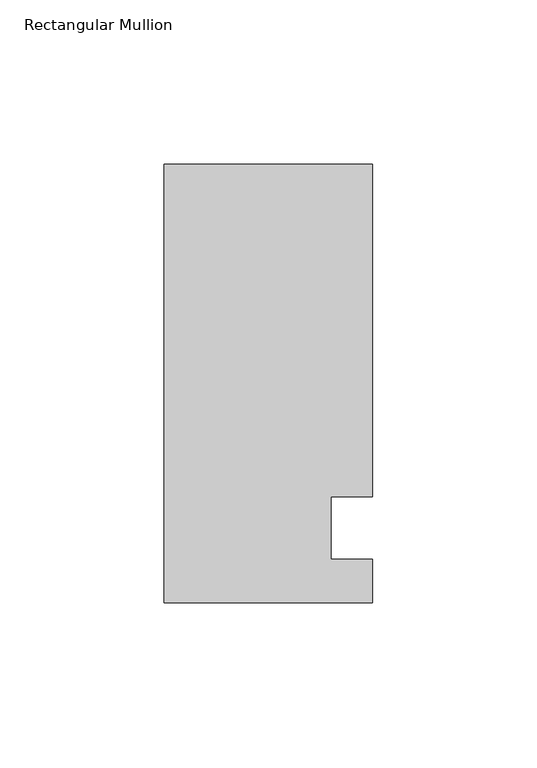
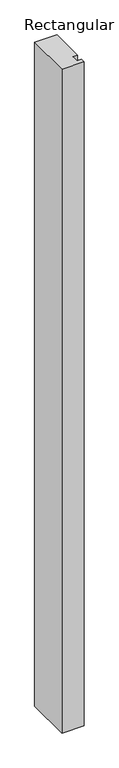
"""IFC4 building model written with IfcOpenShell, lengths in millimetres: member geometry, Rectangular Mullion."""

from ifc_helpers import new_model, si_unit, frame, origin, place, context, project, spatial, polyline, outline, extrude, source, transform, mapped, element, save


def rectangular_mullion_84036583(model_context):
    return source(origin(), model_context, "Body", "SweptSolid", [
        extrude(outline(polyline([(-31.75, 133.4396937), (31.75, 133.4396937), (31.75, 32.2460937), (19.05, 32.2460937), (19.05, 13.1960937), (31.75, 13.1960937), (31.75, 0.0134937), (-31.75, 0.0134937), (-31.75, 133.4396937)])), frame((0.0, 0.0, -1993.9), z_axis=(0.0, 0.0, 1.0), x_axis=(1.0, 0.0, 0.0)), (0.0, 0.0, 1.0), 1993.9),
    ])


if __name__ == "__main__":
    model = new_model("IFC4")
    model_context = context("Model", 3, world=origin())
    ifc_project = project(units=[si_unit("LENGTHUNIT", "METRE", prefix="MILLI")], contexts=[model_context])
    site = spatial("IfcSite", under=ifc_project)
    building = spatial("IfcBuilding", under=site)
    placement = place(None, origin())
    rectangular_mullion_shape = rectangular_mullion_84036583(model_context)
    element("IfcMember", 1, ObjectType="Rectangular Mullion", at=placement, inside=building, context=model_context, shape_type="MappedRepresentation", body=[
        mapped(rectangular_mullion_shape, transform((0.0, 0.0, 0.0), x_axis=(1.0, 0.0, 0.0), y_axis=(0.0, 1.0, 0.0), z_axis=(0.0, 0.0, 1.0))),
    ])
    save(model, "model.ifc")
